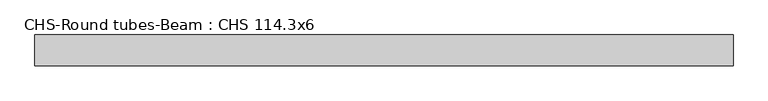
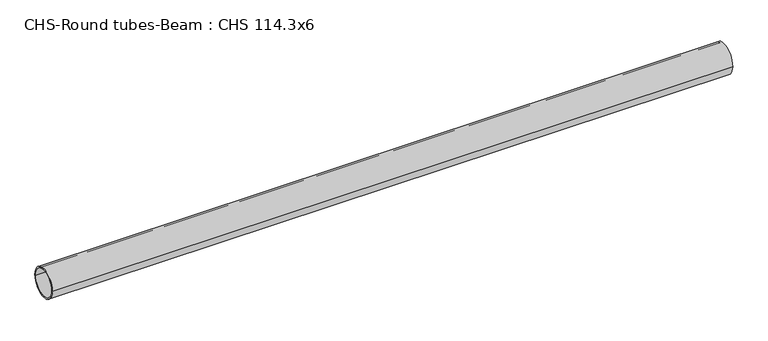
"""IFC4 building model written with IfcOpenShell, lengths in millimetres: beam geometry, CHS-Round tubes-Beam : CHS 114.3x6."""

from ifc_helpers import new_model, si_unit, point, frame, origin, origin_2d, place, context, project, spatial, circle_curve, trimmed, segment, composite_curve, outline, extrude, source, transform, mapped, element, save


def chs_round_tubes_beam_chs_114_3x6_5e579189(model_context):
    return source(origin(), model_context, "Body", "SweptSolid", [
        extrude(outline(composite_curve([segment(trimmed(circle_curve(origin_2d(), 57.15), [point((57.15, 0.0))], [point((-57.15, 0.0))], False, "CARTESIAN"), True, "CONTINUOUS"), segment(trimmed(circle_curve(origin_2d(), 57.15), [point((-57.15, 0.0))], [point((57.15, 0.0))], False, "CARTESIAN"), True, "CONTINUOUS")], self_intersect=False), holes=[composite_curve([segment(trimmed(circle_curve(origin_2d(), 51.15), [point((51.15, 0.0))], [point((-51.15, 0.0))], True, "CARTESIAN"), True, "CONTINUOUS"), segment(trimmed(circle_curve(origin_2d(), 51.15), [point((-51.15, 0.0))], [point((51.15, 0.0))], True, "CARTESIAN"), True, "CONTINUOUS")], self_intersect=False)]), frame((-1248.5365962, 0.0, 0.0), z_axis=(1.0, 0.0, 0.0), x_axis=(0.0, 1.0, 0.0)), (0.0, 0.0, 1.0), 2577.5204979),
    ])


if __name__ == "__main__":
    model = new_model("IFC4")
    model_context = context("Model", 3, world=origin())
    ifc_project = project(units=[si_unit("LENGTHUNIT", "METRE", prefix="MILLI")], contexts=[model_context])
    site = spatial("IfcSite", under=ifc_project)
    building = spatial("IfcBuilding", under=site)
    placement = place(None, origin())
    chs_round_tubes_beam_chs_114_3x6_shape = chs_round_tubes_beam_chs_114_3x6_5e579189(model_context)
    element("IfcBeam", 1, ObjectType="CHS-Round tubes-Beam : CHS 114.3x6", at=placement, inside=building, context=model_context, shape_type="MappedRepresentation", body=[
        mapped(chs_round_tubes_beam_chs_114_3x6_shape, transform((0.0, 0.0, 0.0), x_axis=(1.0, 0.0, 0.0), y_axis=(0.0, 1.0, 0.0), z_axis=(0.0, 0.0, 1.0))),
    ])
    save(model, "model.ifc")
